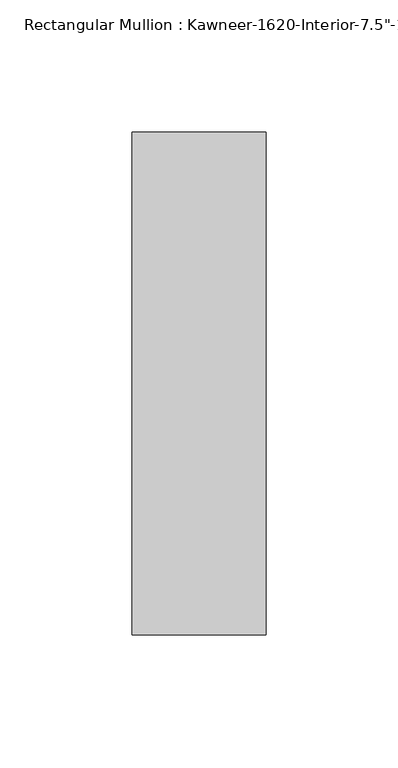
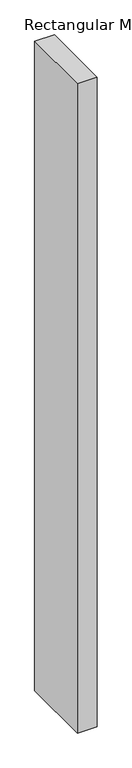
"""IFC4 building model written with IfcOpenShell, lengths in millimetres: member geometry."""

from ifc_helpers import new_model, si_unit, frame, origin, place, context, project, spatial, polyline, outline, extrude, source, transform, mapped, element, save


def member_e2a817f0(model_context):
    return source(origin(), model_context, "Body", "SweptSolid", [
        extrude(outline(polyline([(25.4, 161.925), (25.4, -28.575), (-25.4, -28.575), (-25.4, 161.925), (25.4, 161.925)])), frame((0.0, 0.0, -1765.3), z_axis=(0.0, 0.0, 1.0), x_axis=(1.0, 0.0, 0.0)), (0.0, 0.0, 1.0), 1765.3),
    ])


if __name__ == "__main__":
    model = new_model("IFC4")
    model_context = context("Model", 3, world=origin())
    ifc_project = project(units=[si_unit("LENGTHUNIT", "METRE", prefix="MILLI")], contexts=[model_context])
    site = spatial("IfcSite", under=ifc_project)
    building = spatial("IfcBuilding", under=site)
    placement = place(None, origin())
    member_shape = member_e2a817f0(model_context)
    element("IfcMember", 1, ObjectType="Rectangular Mullion : Kawneer-1620-Interior-7.5\"-1/4\"Infill", at=placement, inside=building, context=model_context, shape_type="MappedRepresentation", body=[
        mapped(member_shape, transform((0.0, 0.0, 0.0), x_axis=(1.0, 0.0, 0.0), y_axis=(0.0, 1.0, 0.0), z_axis=(0.0, 0.0, 1.0))),
    ])
    save(model, "model.ifc")
